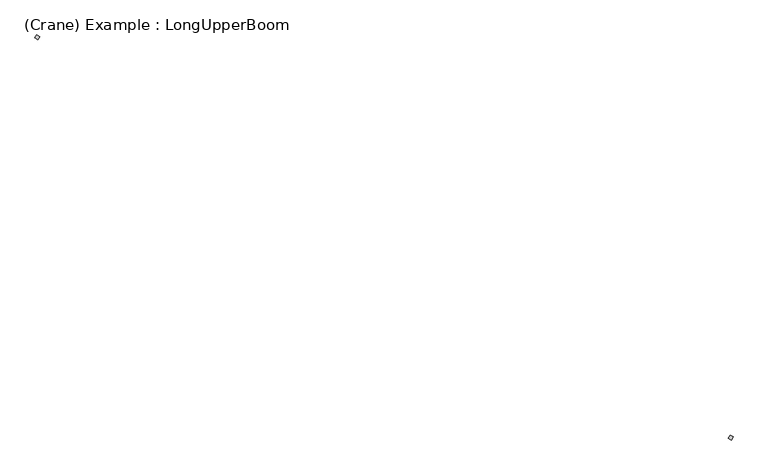
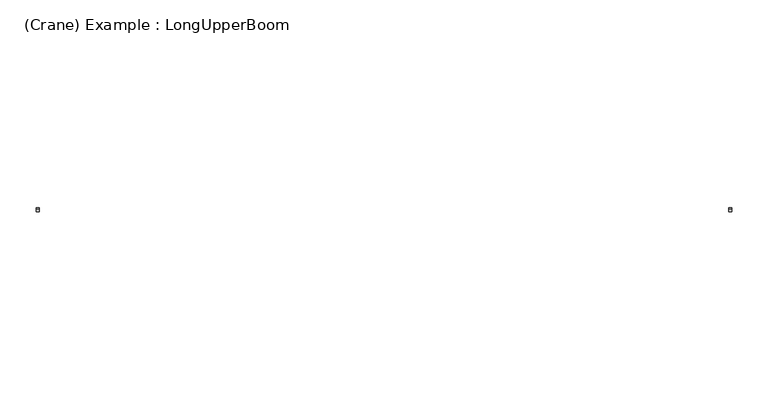
"""IFC4 building model written with IfcOpenShell, lengths in millimetres: proxy geometry, (Crane) Example : LongUpperBoom."""

from ifc_helpers import new_model, si_unit, frame, origin, place, context, project, spatial, polyline, outline, extrude, source, transform, mapped, element, save


def crane_example_longupperboom_59958004(model_context):
    return source(origin(), model_context, "Body", "SweptSolid", [
        extrude(outline(polyline([(-138.788181, -37.188181), (-37.188181, 138.788181), (138.788181, 37.188181), (37.188181, -138.788181), (-138.788181, -37.188181)])), frame((0.0, 0.0, 2844.8), z_axis=(0.0, 0.0, 1.0), x_axis=(1.0, 0.0, 0.0)), (0.0, 0.0, 1.0), 203.2),
        extrude(outline(polyline([(-39733.469642, 22822.811819), (-39631.869642, 22998.788181), (-39455.89328, 22897.188181), (-39557.49328, 22721.211819), (-39733.469642, 22822.811819)])), frame((0.0, 0.0, 2844.8), z_axis=(0.0, 0.0, 1.0), x_axis=(1.0, 0.0, 0.0)), (0.0, 0.0, 1.0), 203.2),
    ])


if __name__ == "__main__":
    model = new_model("IFC4")
    model_context = context("Model", 3, world=origin())
    ifc_project = project(units=[si_unit("LENGTHUNIT", "METRE", prefix="MILLI")], contexts=[model_context])
    site = spatial("IfcSite", under=ifc_project)
    building = spatial("IfcBuilding", under=site)
    placement = place(None, origin())
    crane_example_longupperboom_shape = crane_example_longupperboom_59958004(model_context)
    element("IfcBuildingElementProxy", 1, Name="(Crane) Example : LongUpperBoom", ObjectType="(Crane) Example : LongUpperBoom", at=placement, inside=building, context=model_context, shape_type="MappedRepresentation", body=[
        mapped(crane_example_longupperboom_shape, transform((0.0, 0.0, 0.0), x_axis=(1.0, 0.0, 0.0), y_axis=(0.0, 1.0, 0.0), z_axis=(0.0, 0.0, 1.0))),
    ])
    save(model, "model.ifc")
